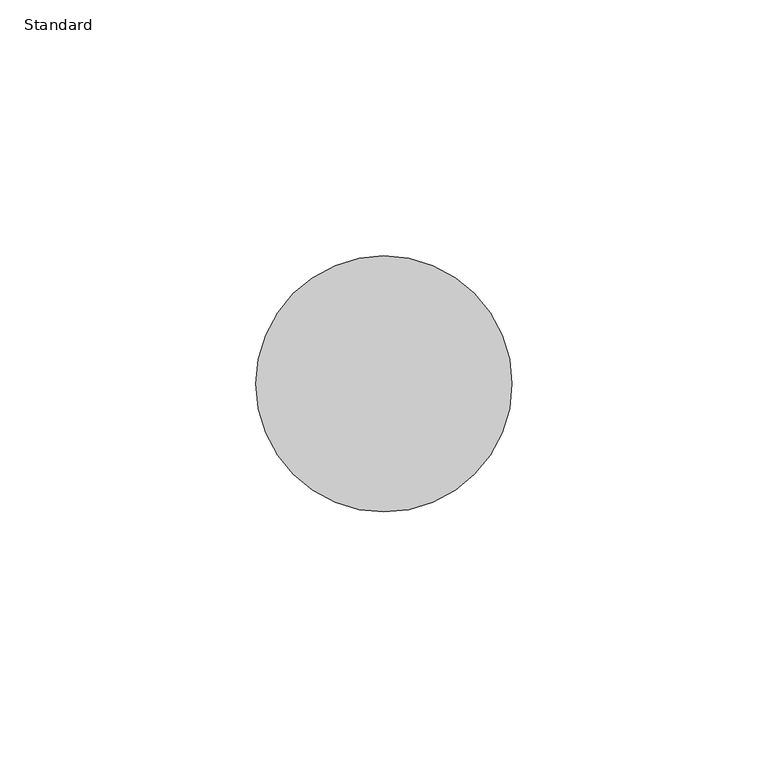
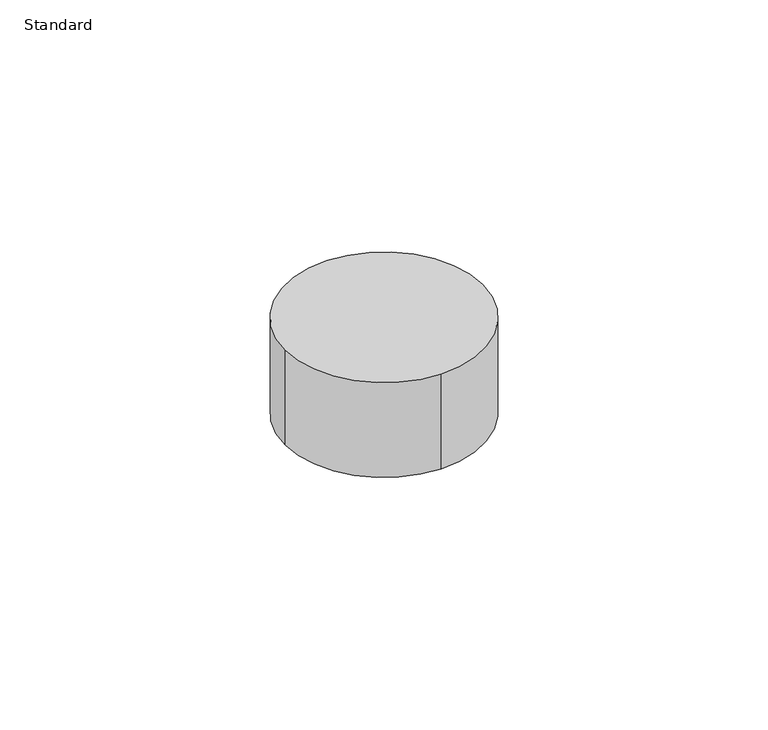
"""IFC4 building model written with IfcOpenShell, lengths in millimetres: geographic element geometry, Standard."""

from ifc_helpers import new_model, si_unit, point, origin, origin_with_axes, origin_2d, place, context, project, spatial, circle_curve, trimmed, segment, composite_curve, outline, extrude, source, transform, mapped, element, save


def standard_818f514f(model_context):
    return source(origin(), model_context, "Body", "SweptSolid", [
        extrude(outline(composite_curve([segment(trimmed(circle_curve(origin_2d(), 25.0), [point((25.0, 0.0))], [point((0.0, -25.0))], False, "CARTESIAN"), True, "CONTINUOUS"), segment(trimmed(circle_curve(origin_2d(), 25.0), [point((0.0, -25.0))], [point((-25.0, 0.0))], False, "CARTESIAN"), True, "CONTINUOUS"), segment(trimmed(circle_curve(origin_2d(), 25.0), [point((-25.0, 0.0))], [point((0.0, 25.0))], False, "CARTESIAN"), True, "CONTINUOUS"), segment(trimmed(circle_curve(origin_2d(), 25.0), [point((0.0, 25.0))], [point((25.0, 0.0))], False, "CARTESIAN"), True, "CONTINUOUS")], self_intersect=False)), origin_with_axes(), (0.0, 0.0, 1.0), 25.4),
    ])


if __name__ == "__main__":
    model = new_model("IFC4")
    model_context = context("Model", 3, world=origin())
    ifc_project = project(units=[si_unit("LENGTHUNIT", "METRE", prefix="MILLI")], contexts=[model_context])
    site = spatial("IfcSite", under=ifc_project)
    building = spatial("IfcBuilding", under=site)
    placement = place(None, origin())
    standard_shape = standard_818f514f(model_context)
    element("IfcGeographicElement", 1, ObjectType="Standard", at=placement, inside=building, context=model_context, shape_type="MappedRepresentation", body=[
        mapped(standard_shape, transform((0.0, 0.0, 0.0), x_axis=(1.0, 0.0, 0.0), y_axis=(0.0, 1.0, 0.0), z_axis=(0.0, 0.0, 1.0))),
    ])
    save(model, "model.ifc")
